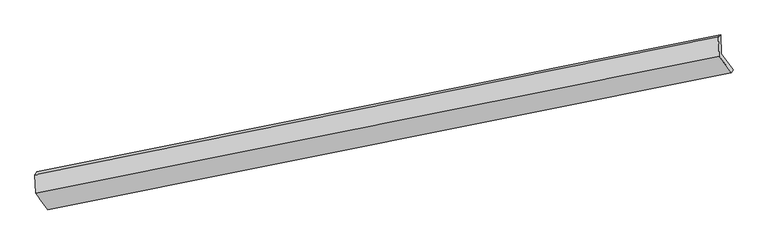
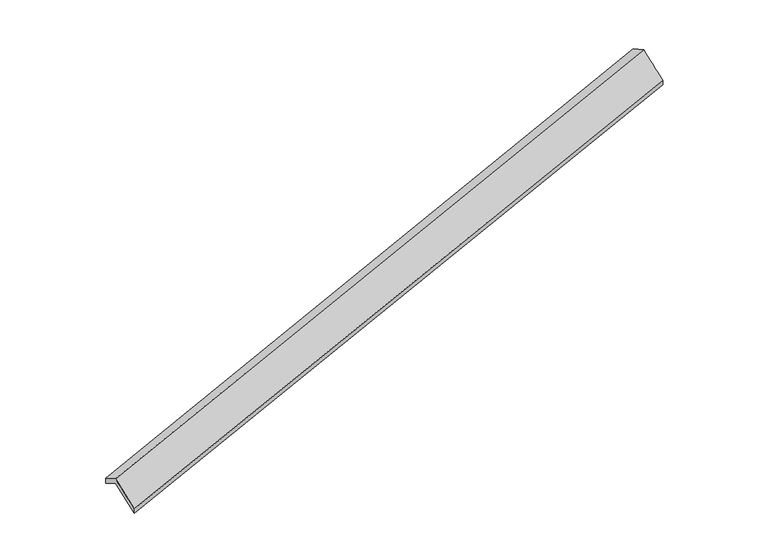
"""IFC4 building model written with IfcOpenShell, lengths in millimetres: proxy geometry."""

from ifc_helpers import new_model, si_unit, frame, origin, place, context, project, spatial, source, transform, mapped, element, save
from ifc_brep_helpers import plane_surface, spline_surface, advanced_brep


def generic_models_e905acf3(model_context):
    return source(origin(), model_context, "Body", "AdvancedBrep", [
        advanced_brep(
        [(-9684.448185, -2853.0682001, 165.8015294), (-9700.1496241, -2481.2040205, -38.552812), (3837.7259329, 230.5732334, 3850.8116664), (3853.427372, -141.2909462, 4055.1660077), (-9738.0029192, -2540.4152306, 132.6181834), (3796.6632175, 193.4830206, 4020.9270459), (-9722.5174893, -2907.1635692, 334.1611641), (3812.8882244, -190.7810495, 4232.0956264), (-9480.7237481, -3230.1528257, -272.1613822), (4053.4802657, -519.1114565, 3616.1461053), (-9447.0350619, -3170.2058057, -429.5361687), (4086.4608529, -459.3063602, 3458.567466)],
        [
            (0, 1),
            (1, 2),
            (2, 3),
            (3, 0),
            (1, 4),
            (4, 5),
            (5, 2),
            (4, 6),
            (6, 7),
            (7, 5),
            (6, 8),
            (8, 9),
            (9, 7),
            (8, 10),
            (10, 11),
            (11, 9),
            (10, 0),
            (3, 11),
        ],
        [
            plane_surface(frame((-9692.2989046, -2667.1361103, 63.6243587), z_axis=(0.3284526216233935, -0.44420055917026213, -0.8335494817835029), x_axis=(-0.03697884980562593, 0.875786579712366, -0.48127999279293604))),
            spline_surface(1, 1, [[(-9700.1496241, -2481.2040205, -38.552812), (3837.7259329, 230.5732334, 3850.8116664)], [(-9738.0029192, -2540.4152306, 132.6181834), (3796.6632175, 193.4830206, 4020.9270459)]], [2, 2], [2, 2], [0.0, 1.0], [0.0, 1.0]),
            plane_surface(frame((-9730.2602042, -2723.7893999, 233.3896737), z_axis=(-0.3291104934477078, 0.4440687618280144, 0.8333601969563584), x_axis=(0.03697884980564868, -0.8757865797123389, 0.48127999279298367))),
            spline_surface(1, 1, [[(-9722.5174893, -2907.1635692, 334.1611641), (3812.8882244, -190.7810495, 4232.0956264)], [(-9480.7237481, -3230.1528257, -272.1613822), (4053.4802657, -519.1114565, 3616.1461053)]], [2, 2], [2, 2], [0.0, 1.0], [0.0, 1.0]),
            spline_surface(1, 1, [[(-9480.7237481, -3230.1528257, -272.1613822), (4053.4802657, -519.1114565, 3616.1461053)], [(-9447.0350619, -3170.2058057, -429.5361687), (4086.4608529, -459.3063602, 3458.567466)]], [2, 2], [2, 2], [0.0, 1.0], [0.0, 1.0]),
            spline_surface(1, 1, [[(-9447.0350619, -3170.2058057, -429.5361687), (4086.4608529, -459.3063602, 3458.567466)], [(-9684.448185, -2853.0682001, 165.8015294), (3853.427372, -141.2909462, 4055.1660077)]], [2, 2], [2, 2], [0.0, 1.0], [0.0, 1.0]),
            plane_surface(frame((3906.7743109, -147.7389264, 3872.285653), z_axis=(0.9446892872254535, 0.1876882274482512, 0.26895218883436905), x_axis=(0.19203538769888698, 0.3482259058025056, -0.9175299059972719))),
            plane_surface(frame((-9628.8128379, -2863.7016087, -17.9449143), z_axis=(-0.9425543394352809, -0.190570634344088, -0.2743613502981305), x_axis=(0.3319998221065337, -0.4434869785252137, -0.8325235239918489))),
        ],
        [
            (0, [[1, 2, 3, 4]]),
            (1, [[5, 6, 7, -2]]),
            (2, [[8, 9, 10, -6]]),
            (3, [[11, 12, 13, -9]]),
            (4, [[14, 15, 16, -12]]),
            (5, [[17, -4, 18, -15]]),
            (6, [[-16, -18, -3, -7, -10, -13]]),
            (7, [[-17, -14, -11, -8, -5, -1]]),
        ],
    ),
    ])


if __name__ == "__main__":
    model = new_model("IFC4")
    model_context = context("Model", 3, world=origin())
    ifc_project = project(units=[si_unit("LENGTHUNIT", "METRE", prefix="MILLI")], contexts=[model_context])
    site = spatial("IfcSite", under=ifc_project)
    building = spatial("IfcBuilding", under=site)
    placement = place(None, origin())
    generic_models_shape = generic_models_e905acf3(model_context)
    element("IfcBuildingElementProxy", 1, Name="Generic Models", at=placement, inside=building, context=model_context, shape_type="MappedRepresentation", body=[
        mapped(generic_models_shape, transform((0.0, 0.0, 0.0), x_axis=(1.0, 0.0, 0.0), y_axis=(0.0, 1.0, 0.0), z_axis=(0.0, 0.0, 1.0))),
    ])
    save(model, "model.ifc")
